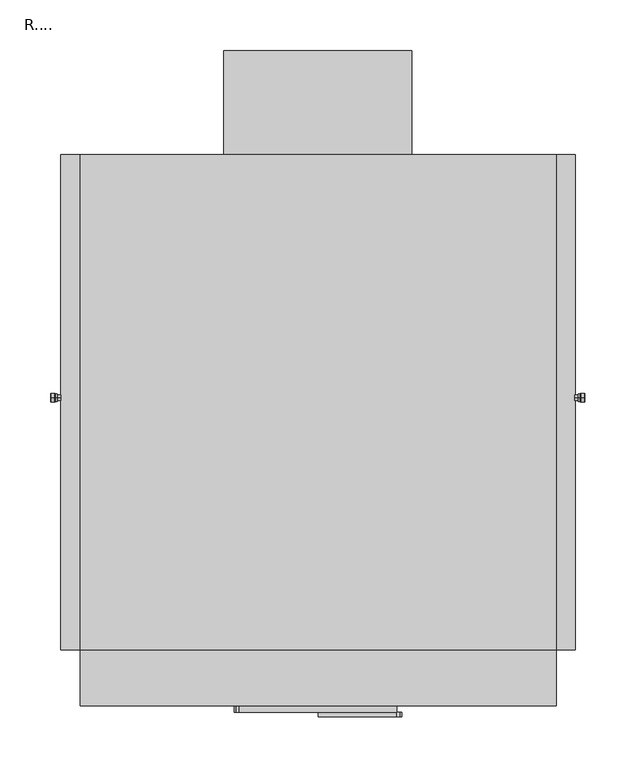
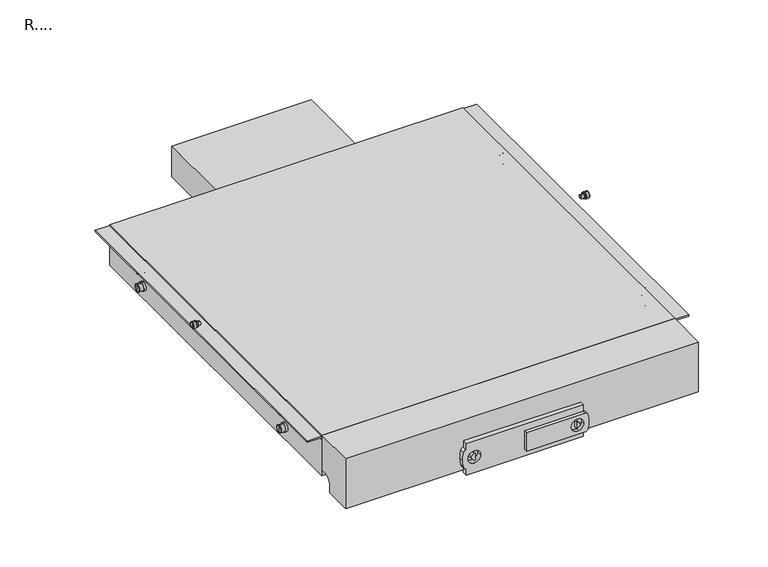
"""IFC4 building model written with IfcOpenShell, lengths in millimetres: proxy geometry, R....."""

from ifc_helpers import new_model, si_unit, point, frame, frame_2d, origin, place, context, project, spatial, polyline, circle_curve, ellipse_curve, trimmed, segment, composite_curve, outline, extrude, source, transform, mapped, element, save
from ifc_brep_helpers import plane_surface, cylinder_surface, revolved_surface, advanced_brep


def r_d6209bb6(model_context):
    return source(origin(), model_context, "Body", "SolidModel", [
        advanced_brep(
        [(252.8, 0.0, 598.1), (252.8, 0.0, 600.6), (252.8, 0.0, 595.6), (256.5, 0.0, 600.6), (256.5, 0.0, 595.6), (256.5, 0.0, 601.95), (256.5, 0.0, 594.25), (257.8, 0.0, 601.95), (257.8, 0.0, 594.25), (258.6833459, 0.0, 602.46), (258.6833459, 0.0, 593.74), (262.2444444, 0.0, 602.46), (262.2444444, 0.0, 593.74), (262.8, 0.0, 601.9044444), (262.8, 0.0, 594.2955556), (262.8, 0.0, 598.1)],
        [
            (0, 1),
            (1, 2, circle_curve(frame((252.8, 0.0, 598.1), z_axis=(-1.0, 0.0, 0.0), x_axis=(0.0, 0.0, 1.0)), 2.5)),
            (2, 0),
            (2, 1, circle_curve(frame((252.8, 0.0, 598.1), z_axis=(-1.0, 0.0, 0.0), x_axis=(0.0, 0.0, 1.0)), 2.5)),
            (1, 3),
            (3, 4, circle_curve(frame((256.5, 0.0, 598.1), z_axis=(-1.0, 0.0, 0.0), x_axis=(0.0, 0.0, 1.0)), 2.5)),
            (4, 2),
            (4, 3, circle_curve(frame((256.5, 0.0, 598.1), z_axis=(-1.0, 0.0, 0.0), x_axis=(0.0, 0.0, 1.0)), 2.5)),
            (3, 5),
            (5, 6, circle_curve(frame((256.5, 0.0, 598.1), z_axis=(-1.0, 0.0, 0.0), x_axis=(0.0, 0.0, 1.0)), 3.85)),
            (6, 4),
            (6, 5, circle_curve(frame((256.5, 0.0, 598.1), z_axis=(-1.0, 0.0, 0.0), x_axis=(0.0, 0.0, 1.0)), 3.85)),
            (5, 7),
            (7, 8, circle_curve(frame((257.8, 0.0, 598.1), z_axis=(-1.0, 0.0, 0.0), x_axis=(0.0, 0.0, 1.0)), 3.85)),
            (8, 6),
            (8, 7, circle_curve(frame((257.8, 0.0, 598.1), z_axis=(-1.0, 0.0, 0.0), x_axis=(0.0, 0.0, 1.0)), 3.85)),
            (7, 9),
            (9, 10, circle_curve(frame((258.6833459, 0.0, 598.1), z_axis=(-1.0, 0.0, 0.0), x_axis=(0.0, 0.0, 1.0)), 4.36)),
            (10, 8),
            (10, 9, circle_curve(frame((258.6833459, 0.0, 598.1), z_axis=(-1.0, 0.0, 0.0), x_axis=(0.0, 0.0, 1.0)), 4.36)),
            (9, 11),
            (11, 12, circle_curve(frame((262.2444444, 0.0, 598.1), z_axis=(-1.0, 0.0, 0.0), x_axis=(0.0, 0.0, 1.0)), 4.36)),
            (12, 10),
            (12, 11, circle_curve(frame((262.2444444, 0.0, 598.1), z_axis=(-1.0, 0.0, 0.0), x_axis=(0.0, 0.0, 1.0)), 4.36)),
            (11, 13, circle_curve(frame((262.2444444, 0.0, 601.9044444), z_axis=(0.0, 1.0, 0.0), x_axis=(1.0, 0.0, 0.0)), 0.5555556)),
            (13, 14, circle_curve(frame((262.8, 0.0, 598.1), z_axis=(-1.0, 0.0, 0.0), x_axis=(0.0, 0.0, 1.0)), 3.8044444)),
            (14, 12, circle_curve(frame((262.2444444, 0.0, 594.2955556), z_axis=(0.0, 1.0, 0.0), x_axis=(1.0, 0.0, 0.0)), 0.5555556)),
            (14, 13, circle_curve(frame((262.8, 0.0, 598.1), z_axis=(-1.0, 0.0, 0.0), x_axis=(0.0, 0.0, 1.0)), 3.8044444)),
            (13, 15),
            (15, 14),
        ],
        [
            plane_surface(frame((252.8, 0.0, 598.1), z_axis=(-1.0, 0.0, 0.0), x_axis=(0.0, 0.0, 1.0))),
            cylinder_surface(frame((264.3975487, 0.0, 598.1), z_axis=(-1.0, 0.0, 0.0), x_axis=(0.0, 0.0, 1.0)), 2.5),
            plane_surface(frame((256.5, 0.0, 598.1), z_axis=(-1.0, 0.0, 0.0), x_axis=(0.0, 0.0, 1.0))),
            cylinder_surface(frame((264.3975487, 0.0, 598.1), z_axis=(-1.0, 0.0, 0.0), x_axis=(0.0, 0.0, 1.0)), 3.85),
            revolved_surface(polyline([(258.6833459, 0.0, 602.46), (257.8, 0.0, 601.95)]), (264.3975487, 0.0, 598.1), (-1.0, 0.0, 0.0)),
            cylinder_surface(frame((264.3975487, 0.0, 598.1), z_axis=(-1.0, 0.0, 0.0), x_axis=(0.0, 0.0, 1.0)), 4.36),
            revolved_surface(trimmed(ellipse_curve(frame((262.2444444, 0.0, 601.9044444), z_axis=(0.0, -1.0, 0.0), x_axis=(1.0, 0.0, 0.0)), 0.5555556, 0.5555556), [point((262.8, 0.0, 601.9044444))], [point((262.2444444, 0.0, 602.46))], True, "CARTESIAN"), (264.3975487, 0.0, 598.1), (-1.0, 0.0, 0.0)),
            plane_surface(frame((262.8, 0.0, 598.1), z_axis=(1.0, 0.0, 0.0), x_axis=(0.0, 0.0, 1.0))),
        ],
        [
            (0, [[1, 2, 3]]),
            (0, [[-3, 4, -1]]),
            (1, [[-2, 5, 6, 7]]),
            (1, [[-4, -7, 8, -5]]),
            (2, [[-6, 9, 10, 11]]),
            (2, [[-8, -11, 12, -9]]),
            (3, [[-10, 13, 14, 15]]),
            (3, [[-12, -15, 16, -13]]),
            (4, [[-14, 17, 18, 19]]),
            (4, [[-16, -19, 20, -17]]),
            (5, [[-18, 21, 22, 23]]),
            (5, [[-20, -23, 24, -21]]),
            (6, [[-22, 25, 26, 27]]),
            (6, [[-24, -27, 28, -25]]),
            (7, [[-26, 29, 30]]),
            (7, [[-28, -30, -29]]),
        ],
    ),
        advanced_brep(
        [(-252.8, 0.0, 595.6), (-252.8, 0.0, 600.6), (-252.8, 0.0, 598.1), (-256.5, 0.0, 595.6), (-256.5, 0.0, 600.6), (-256.5, 0.0, 594.25), (-256.5, 0.0, 601.95), (-257.8, 0.0, 594.25), (-257.8, 0.0, 601.95), (-258.6833459, 0.0, 593.74), (-258.6833459, 0.0, 602.46), (-262.2444444, 0.0, 593.74), (-262.2444444, 0.0, 602.46), (-262.8, 0.0, 594.2955556), (-262.8, 0.0, 601.9044444), (-262.8, 0.0, 598.1)],
        [
            (0, 1, circle_curve(frame((-252.8, 0.0, 598.1), z_axis=(1.0, 0.0, 0.0), x_axis=(0.0, 0.0, 1.0)), 2.5)),
            (1, 2),
            (2, 0),
            (1, 0, circle_curve(frame((-252.8, 0.0, 598.1), z_axis=(1.0, 0.0, 0.0), x_axis=(0.0, 0.0, 1.0)), 2.5)),
            (3, 4, circle_curve(frame((-256.5, 0.0, 598.1), z_axis=(1.0, 0.0, 0.0), x_axis=(0.0, 0.0, 1.0)), 2.5)),
            (4, 1),
            (0, 3),
            (4, 3, circle_curve(frame((-256.5, 0.0, 598.1), z_axis=(1.0, 0.0, 0.0), x_axis=(0.0, 0.0, 1.0)), 2.5)),
            (5, 6, circle_curve(frame((-256.5, 0.0, 598.1), z_axis=(1.0, 0.0, 0.0), x_axis=(0.0, 0.0, 1.0)), 3.85)),
            (6, 4),
            (3, 5),
            (6, 5, circle_curve(frame((-256.5, 0.0, 598.1), z_axis=(1.0, 0.0, 0.0), x_axis=(0.0, 0.0, 1.0)), 3.85)),
            (7, 8, circle_curve(frame((-257.8, 0.0, 598.1), z_axis=(1.0, 0.0, 0.0), x_axis=(0.0, 0.0, 1.0)), 3.85)),
            (8, 6),
            (5, 7),
            (8, 7, circle_curve(frame((-257.8, 0.0, 598.1), z_axis=(1.0, 0.0, 0.0), x_axis=(0.0, 0.0, 1.0)), 3.85)),
            (9, 10, circle_curve(frame((-258.6833459, 0.0, 598.1), z_axis=(1.0, 0.0, 0.0), x_axis=(0.0, 0.0, 1.0)), 4.36)),
            (10, 8),
            (7, 9),
            (10, 9, circle_curve(frame((-258.6833459, 0.0, 598.1), z_axis=(1.0, 0.0, 0.0), x_axis=(0.0, 0.0, 1.0)), 4.36)),
            (11, 12, circle_curve(frame((-262.2444444, 0.0, 598.1), z_axis=(1.0, 0.0, 0.0), x_axis=(0.0, 0.0, 1.0)), 4.36)),
            (12, 10),
            (9, 11),
            (12, 11, circle_curve(frame((-262.2444444, 0.0, 598.1), z_axis=(1.0, 0.0, 0.0), x_axis=(0.0, 0.0, 1.0)), 4.36)),
            (13, 14, circle_curve(frame((-262.8, 0.0, 598.1), z_axis=(1.0, 0.0, 0.0), x_axis=(0.0, 0.0, 1.0)), 3.8044444)),
            (14, 12, circle_curve(frame((-262.2444444, 0.0, 601.9044444), z_axis=(0.0, 1.0, 0.0), x_axis=(-1.0, 0.0, 0.0)), 0.5555556)),
            (11, 13, circle_curve(frame((-262.2444444, 0.0, 594.2955556), z_axis=(0.0, 1.0, 0.0), x_axis=(-1.0, 0.0, 0.0)), 0.5555556)),
            (14, 13, circle_curve(frame((-262.8, 0.0, 598.1), z_axis=(1.0, 0.0, 0.0), x_axis=(0.0, 0.0, 1.0)), 3.8044444)),
            (15, 14),
            (13, 15),
        ],
        [
            plane_surface(frame((-252.8, 0.0, 598.1), z_axis=(1.0, 0.0, 0.0), x_axis=(0.0, 0.0, 1.0))),
            cylinder_surface(frame((-264.3975487, 0.0, 598.1), z_axis=(-1.0, 0.0, 0.0), x_axis=(0.0, 0.0, 1.0)), 2.5),
            plane_surface(frame((-256.5, 0.0, 598.1), z_axis=(1.0, 0.0, 0.0), x_axis=(0.0, 0.0, 1.0))),
            cylinder_surface(frame((-264.3975487, 0.0, 598.1), z_axis=(-1.0, 0.0, 0.0), x_axis=(0.0, 0.0, 1.0)), 3.85),
            revolved_surface(polyline([(-257.8, 0.0, 601.95), (-258.6833459, 0.0, 602.46)]), (-264.3975487, 0.0, 598.1), (-1.0, 0.0, 0.0)),
            cylinder_surface(frame((-264.3975487, 0.0, 598.1), z_axis=(-1.0, 0.0, 0.0), x_axis=(0.0, 0.0, 1.0)), 4.36),
            revolved_surface(trimmed(ellipse_curve(frame((-262.2444444, 0.0, 601.9044444), z_axis=(0.0, -1.0, 0.0), x_axis=(-1.0, 0.0, 0.0)), 0.5555556, 0.5555556), [point((-262.2444444, 0.0, 602.46))], [point((-262.8, 0.0, 601.9044444))], True, "CARTESIAN"), (-264.3975487, 0.0, 598.1), (-1.0, 0.0, 0.0)),
            plane_surface(frame((-262.8, 0.0, 598.1), z_axis=(-1.0, 0.0, 0.0), x_axis=(0.0, 0.0, 1.0))),
        ],
        [
            (0, [[1, 2, 3]]),
            (0, [[4, -3, -2]]),
            (1, [[5, 6, -1, 7]]),
            (1, [[8, -7, -4, -6]]),
            (2, [[9, 10, -5, 11]]),
            (2, [[12, -11, -8, -10]]),
            (3, [[13, 14, -9, 15]]),
            (3, [[16, -15, -12, -14]]),
            (4, [[17, 18, -13, 19]]),
            (4, [[20, -19, -16, -18]]),
            (5, [[21, 22, -17, 23]]),
            (5, [[24, -23, -20, -22]]),
            (6, [[25, 26, -21, 27]]),
            (6, [[28, -27, -24, -26]]),
            (7, [[29, -25, 30]]),
            (7, [[-30, -28, -29]]),
        ],
    ),
        advanced_brep(
        [(234.0500555, -164.9166094, 539.7805331), (234.0500555, -164.9166094, 551.5805331), (236.9500555, -164.9166094, 551.5805331), (236.9500555, -164.9166094, 539.7805331), (234.0500555, -164.9166094, 545.6805331), (242.9500555, -164.9166094, 541.3471998), (242.9500555, -164.9166094, 550.0138665), (242.9500555, -164.9166094, 545.6805331), (242.2833888, -164.9166094, 540.6805331), (242.2833888, -164.9166094, 550.6805331), (236.9500555, -164.9166094, 540.6805331), (236.9500555, -164.9166094, 550.6805331)],
        [
            (0, 1, circle_curve(frame((234.0500555, -164.9166094, 545.6805331), z_axis=(1.0, 0.0, 0.0), x_axis=(0.0, 0.0, 1.0)), 5.9)),
            (1, 2),
            (2, 3, circle_curve(frame((236.9500555, -164.9166094, 545.6805331), z_axis=(-1.0, 0.0, 0.0), x_axis=(0.0, 0.0, 1.0)), 5.9)),
            (3, 0),
            (1, 0, circle_curve(frame((234.0500555, -164.9166094, 545.6805331), z_axis=(1.0, 0.0, 0.0), x_axis=(0.0, 0.0, 1.0)), 5.9)),
            (3, 2, circle_curve(frame((236.9500555, -164.9166094, 545.6805331), z_axis=(-1.0, 0.0, 0.0), x_axis=(0.0, 0.0, 1.0)), 5.9)),
            (4, 1),
            (0, 4),
            (5, 6, circle_curve(frame((242.9500555, -164.9166094, 545.6805331), z_axis=(1.0, 0.0, 0.0), x_axis=(0.0, 0.0, 1.0)), 4.3333333)),
            (6, 7),
            (7, 5),
            (6, 5, circle_curve(frame((242.9500555, -164.9166094, 545.6805331), z_axis=(1.0, 0.0, 0.0), x_axis=(0.0, 0.0, 1.0)), 4.3333333)),
            (8, 9, circle_curve(frame((242.2833888, -164.9166094, 545.6805331), z_axis=(1.0, 0.0, 0.0), x_axis=(0.0, 0.0, 1.0)), 5.0)),
            (9, 6, circle_curve(frame((242.2833888, -164.9166094, 550.0138665), z_axis=(0.0, 1.0, 0.0), x_axis=(1.0, 0.0, 0.0)), 0.6666667)),
            (5, 8, circle_curve(frame((242.2833888, -164.9166094, 541.3471998), z_axis=(0.0, 1.0, 0.0), x_axis=(1.0, 0.0, 0.0)), 0.6666667)),
            (9, 8, circle_curve(frame((242.2833888, -164.9166094, 545.6805331), z_axis=(1.0, 0.0, 0.0), x_axis=(0.0, 0.0, 1.0)), 5.0)),
            (10, 11, circle_curve(frame((236.9500555, -164.9166094, 545.6805331), z_axis=(1.0, 0.0, 0.0), x_axis=(0.0, 0.0, 1.0)), 5.0)),
            (11, 9),
            (8, 10),
            (11, 10, circle_curve(frame((236.9500555, -164.9166094, 545.6805331), z_axis=(1.0, 0.0, 0.0), x_axis=(0.0, 0.0, 1.0)), 5.0)),
            (2, 11),
            (10, 3),
        ],
        [
            cylinder_surface(frame((245.0268062, -164.9166094, 545.6805331), z_axis=(-1.0, 0.0, 0.0), x_axis=(0.0, 0.0, 1.0)), 5.9),
            plane_surface(frame((234.0500555, -164.9166094, 545.6805331), z_axis=(-1.0, 0.0, 0.0), x_axis=(0.0, 0.0, 1.0))),
            plane_surface(frame((242.9500555, -164.9166094, 545.6805331), z_axis=(1.0, 0.0, 0.0), x_axis=(0.0, 0.0, 1.0))),
            revolved_surface(trimmed(ellipse_curve(frame((242.2833888, -164.9166094, 550.0138665), z_axis=(0.0, -1.0, 0.0), x_axis=(1.0, 0.0, 0.0)), 0.6666667, 0.6666667), [point((242.9500555, -164.9166094, 550.0138665))], [point((242.2833888, -164.9166094, 550.6805331))], True, "CARTESIAN"), (245.0268062, -164.9166094, 545.6805331), (-1.0, 0.0, 0.0)),
            cylinder_surface(frame((245.0268062, -164.9166094, 545.6805331), z_axis=(-1.0, 0.0, 0.0), x_axis=(0.0, 0.0, 1.0)), 5.0),
            plane_surface(frame((236.9500555, -164.9166094, 545.6805331), z_axis=(1.0, 0.0, 0.0), x_axis=(0.0, 0.0, 1.0))),
        ],
        [
            (0, [[1, 2, 3, 4]]),
            (0, [[5, -4, 6, -2]]),
            (1, [[7, -1, 8]]),
            (1, [[-8, -5, -7]]),
            (2, [[9, 10, 11]]),
            (2, [[12, -11, -10]]),
            (3, [[13, 14, -9, 15]]),
            (3, [[16, -15, -12, -14]]),
            (4, [[17, 18, -13, 19]]),
            (4, [[20, -19, -16, -18]]),
            (5, [[-3, 21, -17, 22]]),
            (5, [[-6, -22, -20, -21]]),
        ],
    ),
        advanced_brep(
        [(234.0500555, -164.9166094, 564.780533), (234.0500555, -164.9166094, 576.580533), (236.9500555, -164.9166094, 576.580533), (236.9500555, -164.9166094, 564.780533), (234.0500555, -164.9166094, 570.680533), (242.9500555, -164.9166094, 566.3471997), (242.9500555, -164.9166094, 575.0138663), (242.9500555, -164.9166094, 570.680533), (242.2833888, -164.9166094, 565.680533), (242.2833888, -164.9166094, 575.680533), (236.9500555, -164.9166094, 565.680533), (236.9500555, -164.9166094, 575.680533)],
        [
            (0, 1, circle_curve(frame((234.0500555, -164.9166094, 570.680533), z_axis=(1.0, 0.0, 0.0), x_axis=(0.0, 0.0, 1.0)), 5.9)),
            (1, 2),
            (2, 3, circle_curve(frame((236.9500555, -164.9166094, 570.680533), z_axis=(-1.0, 0.0, 0.0), x_axis=(0.0, 0.0, 1.0)), 5.9)),
            (3, 0),
            (1, 0, circle_curve(frame((234.0500555, -164.9166094, 570.680533), z_axis=(1.0, 0.0, 0.0), x_axis=(0.0, 0.0, 1.0)), 5.9)),
            (3, 2, circle_curve(frame((236.9500555, -164.9166094, 570.680533), z_axis=(-1.0, 0.0, 0.0), x_axis=(0.0, 0.0, 1.0)), 5.9)),
            (4, 1),
            (0, 4),
            (5, 6, circle_curve(frame((242.9500555, -164.9166094, 570.680533), z_axis=(1.0, 0.0, 0.0), x_axis=(0.0, 0.0, 1.0)), 4.3333333)),
            (6, 7),
            (7, 5),
            (6, 5, circle_curve(frame((242.9500555, -164.9166094, 570.680533), z_axis=(1.0, 0.0, 0.0), x_axis=(0.0, 0.0, 1.0)), 4.3333333)),
            (8, 9, circle_curve(frame((242.2833888, -164.9166094, 570.680533), z_axis=(1.0, 0.0, 0.0), x_axis=(0.0, 0.0, 1.0)), 5.0)),
            (9, 6, circle_curve(frame((242.2833888, -164.9166094, 575.0138663), z_axis=(0.0, 1.0, 0.0), x_axis=(1.0, 0.0, 0.0)), 0.6666667)),
            (5, 8, circle_curve(frame((242.2833888, -164.9166094, 566.3471997), z_axis=(0.0, 1.0, 0.0), x_axis=(1.0, 0.0, 0.0)), 0.6666667)),
            (9, 8, circle_curve(frame((242.2833888, -164.9166094, 570.680533), z_axis=(1.0, 0.0, 0.0), x_axis=(0.0, 0.0, 1.0)), 5.0)),
            (10, 11, circle_curve(frame((236.9500555, -164.9166094, 570.680533), z_axis=(1.0, 0.0, 0.0), x_axis=(0.0, 0.0, 1.0)), 5.0)),
            (11, 9),
            (8, 10),
            (11, 10, circle_curve(frame((236.9500555, -164.9166094, 570.680533), z_axis=(1.0, 0.0, 0.0), x_axis=(0.0, 0.0, 1.0)), 5.0)),
            (2, 11),
            (10, 3),
        ],
        [
            cylinder_surface(frame((245.0268062, -164.9166094, 570.680533), z_axis=(-1.0, 0.0, 0.0), x_axis=(0.0, 0.0, 1.0)), 5.9),
            plane_surface(frame((234.0500555, -164.9166094, 570.680533), z_axis=(-1.0, 0.0, 0.0), x_axis=(0.0, 0.0, 1.0))),
            plane_surface(frame((242.9500555, -164.9166094, 570.680533), z_axis=(1.0, 0.0, 0.0), x_axis=(0.0, 0.0, 1.0))),
            revolved_surface(trimmed(ellipse_curve(frame((242.2833888, -164.9166094, 575.0138663), z_axis=(0.0, -1.0, 0.0), x_axis=(1.0, 0.0, 0.0)), 0.6666667, 0.6666667), [point((242.9500555, -164.9166094, 575.0138663))], [point((242.2833888, -164.9166094, 575.680533))], True, "CARTESIAN"), (245.0268062, -164.9166094, 570.680533), (-1.0, 0.0, 0.0)),
            cylinder_surface(frame((245.0268062, -164.9166094, 570.680533), z_axis=(-1.0, 0.0, 0.0), x_axis=(0.0, 0.0, 1.0)), 5.0),
            plane_surface(frame((236.9500555, -164.9166094, 570.680533), z_axis=(1.0, 0.0, 0.0), x_axis=(0.0, 0.0, 1.0))),
        ],
        [
            (0, [[1, 2, 3, 4]]),
            (0, [[5, -4, 6, -2]]),
            (1, [[7, -1, 8]]),
            (1, [[-8, -5, -7]]),
            (2, [[9, 10, 11]]),
            (2, [[12, -11, -10]]),
            (3, [[13, 14, -9, 15]]),
            (3, [[16, -15, -12, -14]]),
            (4, [[17, 18, -13, 19]]),
            (4, [[20, -19, -16, -18]]),
            (5, [[-3, 21, -17, 22]]),
            (5, [[-6, -22, -20, -21]]),
        ],
    ),
        advanced_brep(
        [(234.0500555, 161.1139313, 539.7805331), (234.0500555, 161.1139313, 551.5805331), (236.9500555, 161.1139313, 551.5805331), (236.9500555, 161.1139313, 539.7805331), (234.0500555, 161.1139313, 545.6805331), (242.9500555, 161.1139313, 541.3471998), (242.9500555, 161.1139313, 550.0138665), (242.9500555, 161.1139313, 545.6805331), (242.2833888, 161.1139313, 540.6805331), (242.2833888, 161.1139313, 550.6805331), (236.9500555, 161.1139313, 540.6805331), (236.9500555, 161.1139313, 550.6805331)],
        [
            (0, 1, circle_curve(frame((234.0500555, 161.1139313, 545.6805331), z_axis=(1.0, 0.0, 0.0), x_axis=(0.0, 0.0, 1.0)), 5.9)),
            (1, 2),
            (2, 3, circle_curve(frame((236.9500555, 161.1139313, 545.6805331), z_axis=(-1.0, 0.0, 0.0), x_axis=(0.0, 0.0, 1.0)), 5.9)),
            (3, 0),
            (1, 0, circle_curve(frame((234.0500555, 161.1139313, 545.6805331), z_axis=(1.0, 0.0, 0.0), x_axis=(0.0, 0.0, 1.0)), 5.9)),
            (3, 2, circle_curve(frame((236.9500555, 161.1139313, 545.6805331), z_axis=(-1.0, 0.0, 0.0), x_axis=(0.0, 0.0, 1.0)), 5.9)),
            (4, 1),
            (0, 4),
            (5, 6, circle_curve(frame((242.9500555, 161.1139313, 545.6805331), z_axis=(1.0, 0.0, 0.0), x_axis=(0.0, 0.0, 1.0)), 4.3333333)),
            (6, 7),
            (7, 5),
            (6, 5, circle_curve(frame((242.9500555, 161.1139313, 545.6805331), z_axis=(1.0, 0.0, 0.0), x_axis=(0.0, 0.0, 1.0)), 4.3333333)),
            (8, 9, circle_curve(frame((242.2833888, 161.1139313, 545.6805331), z_axis=(1.0, 0.0, 0.0), x_axis=(0.0, 0.0, 1.0)), 5.0)),
            (9, 6, circle_curve(frame((242.2833888, 161.1139313, 550.0138665), z_axis=(0.0, 1.0, 0.0), x_axis=(1.0, 0.0, 0.0)), 0.6666667)),
            (5, 8, circle_curve(frame((242.2833888, 161.1139313, 541.3471998), z_axis=(0.0, 1.0, 0.0), x_axis=(1.0, 0.0, 0.0)), 0.6666667)),
            (9, 8, circle_curve(frame((242.2833888, 161.1139313, 545.6805331), z_axis=(1.0, 0.0, 0.0), x_axis=(0.0, 0.0, 1.0)), 5.0)),
            (10, 11, circle_curve(frame((236.9500555, 161.1139313, 545.6805331), z_axis=(1.0, 0.0, 0.0), x_axis=(0.0, 0.0, 1.0)), 5.0)),
            (11, 9),
            (8, 10),
            (11, 10, circle_curve(frame((236.9500555, 161.1139313, 545.6805331), z_axis=(1.0, 0.0, 0.0), x_axis=(0.0, 0.0, 1.0)), 5.0)),
            (2, 11),
            (10, 3),
        ],
        [
            cylinder_surface(frame((245.0268062, 161.1139313, 545.6805331), z_axis=(-1.0, 0.0, 0.0), x_axis=(0.0, 0.0, 1.0)), 5.9),
            plane_surface(frame((234.0500555, 161.1139313, 545.6805331), z_axis=(-1.0, 0.0, 0.0), x_axis=(0.0, 0.0, 1.0))),
            plane_surface(frame((242.9500555, 161.1139313, 545.6805331), z_axis=(1.0, 0.0, 0.0), x_axis=(0.0, 0.0, 1.0))),
            revolved_surface(trimmed(ellipse_curve(frame((242.2833888, 161.1139313, 550.0138665), z_axis=(0.0, -1.0, 0.0), x_axis=(1.0, 0.0, 0.0)), 0.6666667, 0.6666667), [point((242.9500555, 161.1139313, 550.0138665))], [point((242.2833888, 161.1139313, 550.6805331))], True, "CARTESIAN"), (245.0268062, 161.1139313, 545.6805331), (-1.0, 0.0, 0.0)),
            cylinder_surface(frame((245.0268062, 161.1139313, 545.6805331), z_axis=(-1.0, 0.0, 0.0), x_axis=(0.0, 0.0, 1.0)), 5.0),
            plane_surface(frame((236.9500555, 161.1139313, 545.6805331), z_axis=(1.0, 0.0, 0.0), x_axis=(0.0, 0.0, 1.0))),
        ],
        [
            (0, [[1, 2, 3, 4]]),
            (0, [[5, -4, 6, -2]]),
            (1, [[7, -1, 8]]),
            (1, [[-8, -5, -7]]),
            (2, [[9, 10, 11]]),
            (2, [[12, -11, -10]]),
            (3, [[13, 14, -9, 15]]),
            (3, [[16, -15, -12, -14]]),
            (4, [[17, 18, -13, 19]]),
            (4, [[20, -19, -16, -18]]),
            (5, [[-3, 21, -17, 22]]),
            (5, [[-6, -22, -20, -21]]),
        ],
    ),
        advanced_brep(
        [(234.0500555, 161.1139313, 564.780533), (234.0500555, 161.1139313, 576.580533), (236.9500555, 161.1139313, 576.580533), (236.9500555, 161.1139313, 564.780533), (234.0500555, 161.1139313, 570.680533), (242.9500555, 161.1139313, 566.3471997), (242.9500555, 161.1139313, 575.0138663), (242.9500555, 161.1139313, 570.680533), (242.2833888, 161.1139313, 565.680533), (242.2833888, 161.1139313, 575.680533), (236.9500555, 161.1139313, 565.680533), (236.9500555, 161.1139313, 575.680533)],
        [
            (0, 1, circle_curve(frame((234.0500555, 161.1139313, 570.680533), z_axis=(1.0, 0.0, 0.0), x_axis=(0.0, 0.0, 1.0)), 5.9)),
            (1, 2),
            (2, 3, circle_curve(frame((236.9500555, 161.1139313, 570.680533), z_axis=(-1.0, 0.0, 0.0), x_axis=(0.0, 0.0, 1.0)), 5.9)),
            (3, 0),
            (1, 0, circle_curve(frame((234.0500555, 161.1139313, 570.680533), z_axis=(1.0, 0.0, 0.0), x_axis=(0.0, 0.0, 1.0)), 5.9)),
            (3, 2, circle_curve(frame((236.9500555, 161.1139313, 570.680533), z_axis=(-1.0, 0.0, 0.0), x_axis=(0.0, 0.0, 1.0)), 5.9)),
            (4, 1),
            (0, 4),
            (5, 6, circle_curve(frame((242.9500555, 161.1139313, 570.680533), z_axis=(1.0, 0.0, 0.0), x_axis=(0.0, 0.0, 1.0)), 4.3333333)),
            (6, 7),
            (7, 5),
            (6, 5, circle_curve(frame((242.9500555, 161.1139313, 570.680533), z_axis=(1.0, 0.0, 0.0), x_axis=(0.0, 0.0, 1.0)), 4.3333333)),
            (8, 9, circle_curve(frame((242.2833888, 161.1139313, 570.680533), z_axis=(1.0, 0.0, 0.0), x_axis=(0.0, 0.0, 1.0)), 5.0)),
            (9, 6, circle_curve(frame((242.2833888, 161.1139313, 575.0138663), z_axis=(0.0, 1.0, 0.0), x_axis=(1.0, 0.0, 0.0)), 0.6666667)),
            (5, 8, circle_curve(frame((242.2833888, 161.1139313, 566.3471997), z_axis=(0.0, 1.0, 0.0), x_axis=(1.0, 0.0, 0.0)), 0.6666667)),
            (9, 8, circle_curve(frame((242.2833888, 161.1139313, 570.680533), z_axis=(1.0, 0.0, 0.0), x_axis=(0.0, 0.0, 1.0)), 5.0)),
            (10, 11, circle_curve(frame((236.9500555, 161.1139313, 570.680533), z_axis=(1.0, 0.0, 0.0), x_axis=(0.0, 0.0, 1.0)), 5.0)),
            (11, 9),
            (8, 10),
            (11, 10, circle_curve(frame((236.9500555, 161.1139313, 570.680533), z_axis=(1.0, 0.0, 0.0), x_axis=(0.0, 0.0, 1.0)), 5.0)),
            (2, 11),
            (10, 3),
        ],
        [
            cylinder_surface(frame((245.0268062, 161.1139313, 570.680533), z_axis=(-1.0, 0.0, 0.0), x_axis=(0.0, 0.0, 1.0)), 5.9),
            plane_surface(frame((234.0500555, 161.1139313, 570.680533), z_axis=(-1.0, 0.0, 0.0), x_axis=(0.0, 0.0, 1.0))),
            plane_surface(frame((242.9500555, 161.1139313, 570.680533), z_axis=(1.0, 0.0, 0.0), x_axis=(0.0, 0.0, 1.0))),
            revolved_surface(trimmed(ellipse_curve(frame((242.2833888, 161.1139313, 575.0138663), z_axis=(0.0, -1.0, 0.0), x_axis=(1.0, 0.0, 0.0)), 0.6666667, 0.6666667), [point((242.9500555, 161.1139313, 575.0138663))], [point((242.2833888, 161.1139313, 575.680533))], True, "CARTESIAN"), (245.0268062, 161.1139313, 570.680533), (-1.0, 0.0, 0.0)),
            cylinder_surface(frame((245.0268062, 161.1139313, 570.680533), z_axis=(-1.0, 0.0, 0.0), x_axis=(0.0, 0.0, 1.0)), 5.0),
            plane_surface(frame((236.9500555, 161.1139313, 570.680533), z_axis=(1.0, 0.0, 0.0), x_axis=(0.0, 0.0, 1.0))),
        ],
        [
            (0, [[1, 2, 3, 4]]),
            (0, [[5, -4, 6, -2]]),
            (1, [[7, -1, 8]]),
            (1, [[-8, -5, -7]]),
            (2, [[9, 10, 11]]),
            (2, [[12, -11, -10]]),
            (3, [[13, 14, -9, 15]]),
            (3, [[16, -15, -12, -14]]),
            (4, [[17, 18, -13, 19]]),
            (4, [[20, -19, -16, -18]]),
            (5, [[-3, 21, -17, 22]]),
            (5, [[-6, -22, -20, -21]]),
        ],
    ),
        advanced_brep(
        [(-236.9500555, -164.9166094, 539.7805331), (-236.9500555, -164.9166094, 551.5805331), (-234.0500555, -164.9166094, 551.5805331), (-234.0500555, -164.9166094, 539.7805331), (-234.0500555, -164.9166094, 545.6805331), (-242.9500555, -164.9166094, 545.6805331), (-242.9500555, -164.9166094, 550.0138665), (-242.9500555, -164.9166094, 541.3471998), (-242.2833888, -164.9166094, 550.6805331), (-242.2833888, -164.9166094, 540.6805331), (-236.9500555, -164.9166094, 550.6805331), (-236.9500555, -164.9166094, 540.6805331)],
        [
            (0, 1, circle_curve(frame((-236.9500555, -164.9166094, 545.6805331), z_axis=(1.0, 0.0, 0.0), x_axis=(0.0, 0.0, 1.0)), 5.9)),
            (1, 2),
            (2, 3, circle_curve(frame((-234.0500555, -164.9166094, 545.6805331), z_axis=(-1.0, 0.0, 0.0), x_axis=(0.0, 0.0, 1.0)), 5.9)),
            (3, 0),
            (1, 0, circle_curve(frame((-236.9500555, -164.9166094, 545.6805331), z_axis=(1.0, 0.0, 0.0), x_axis=(0.0, 0.0, 1.0)), 5.9)),
            (3, 2, circle_curve(frame((-234.0500555, -164.9166094, 545.6805331), z_axis=(-1.0, 0.0, 0.0), x_axis=(0.0, 0.0, 1.0)), 5.9)),
            (2, 4),
            (4, 3),
            (5, 6),
            (6, 7, circle_curve(frame((-242.9500555, -164.9166094, 545.6805331), z_axis=(-1.0, 0.0, 0.0), x_axis=(0.0, 0.0, 1.0)), 4.3333333)),
            (7, 5),
            (7, 6, circle_curve(frame((-242.9500555, -164.9166094, 545.6805331), z_axis=(-1.0, 0.0, 0.0), x_axis=(0.0, 0.0, 1.0)), 4.3333333)),
            (6, 8, circle_curve(frame((-242.2833888, -164.9166094, 550.0138665), z_axis=(0.0, 1.0, 0.0), x_axis=(-1.0, 0.0, 0.0)), 0.6666667)),
            (8, 9, circle_curve(frame((-242.2833888, -164.9166094, 545.6805331), z_axis=(-1.0, 0.0, 0.0), x_axis=(0.0, 0.0, 1.0)), 5.0)),
            (9, 7, circle_curve(frame((-242.2833888, -164.9166094, 541.3471998), z_axis=(0.0, 1.0, 0.0), x_axis=(-1.0, 0.0, 0.0)), 0.6666667)),
            (9, 8, circle_curve(frame((-242.2833888, -164.9166094, 545.6805331), z_axis=(-1.0, 0.0, 0.0), x_axis=(0.0, 0.0, 1.0)), 5.0)),
            (8, 10),
            (10, 11, circle_curve(frame((-236.9500555, -164.9166094, 545.6805331), z_axis=(-1.0, 0.0, 0.0), x_axis=(0.0, 0.0, 1.0)), 5.0)),
            (11, 9),
            (11, 10, circle_curve(frame((-236.9500555, -164.9166094, 545.6805331), z_axis=(-1.0, 0.0, 0.0), x_axis=(0.0, 0.0, 1.0)), 5.0)),
            (10, 1),
            (0, 11),
        ],
        [
            cylinder_surface(frame((-245.0268062, -164.9166094, 545.6805331), z_axis=(-1.0, 0.0, 0.0), x_axis=(0.0, 0.0, 1.0)), 5.9),
            plane_surface(frame((-234.0500555, -164.9166094, 545.6805331), z_axis=(1.0, 0.0, 0.0), x_axis=(0.0, 0.0, 1.0))),
            plane_surface(frame((-242.9500555, -164.9166094, 545.6805331), z_axis=(-1.0, 0.0, 0.0), x_axis=(0.0, 0.0, 1.0))),
            revolved_surface(trimmed(ellipse_curve(frame((-242.2833888, -164.9166094, 550.0138665), z_axis=(0.0, -1.0, 0.0), x_axis=(-1.0, 0.0, 0.0)), 0.6666667, 0.6666667), [point((-242.2833888, -164.9166094, 550.6805331))], [point((-242.9500555, -164.9166094, 550.0138665))], True, "CARTESIAN"), (-245.0268062, -164.9166094, 545.6805331), (-1.0, 0.0, 0.0)),
            cylinder_surface(frame((-245.0268062, -164.9166094, 545.6805331), z_axis=(-1.0, 0.0, 0.0), x_axis=(0.0, 0.0, 1.0)), 5.0),
            plane_surface(frame((-236.9500555, -164.9166094, 545.6805331), z_axis=(-1.0, 0.0, 0.0), x_axis=(0.0, 0.0, 1.0))),
        ],
        [
            (0, [[1, 2, 3, 4]]),
            (0, [[5, -4, 6, -2]]),
            (1, [[-3, 7, 8]]),
            (1, [[-6, -8, -7]]),
            (2, [[9, 10, 11]]),
            (2, [[-11, 12, -9]]),
            (3, [[-10, 13, 14, 15]]),
            (3, [[-12, -15, 16, -13]]),
            (4, [[-14, 17, 18, 19]]),
            (4, [[-16, -19, 20, -17]]),
            (5, [[-18, 21, -1, 22]]),
            (5, [[-20, -22, -5, -21]]),
        ],
    ),
        advanced_brep(
        [(-236.9500555, -164.9166094, 564.780533), (-236.9500555, -164.9166094, 576.580533), (-234.0500555, -164.9166094, 576.580533), (-234.0500555, -164.9166094, 564.780533), (-234.0500555, -164.9166094, 570.680533), (-242.9500555, -164.9166094, 570.680533), (-242.9500555, -164.9166094, 575.0138663), (-242.9500555, -164.9166094, 566.3471997), (-242.2833888, -164.9166094, 575.680533), (-242.2833888, -164.9166094, 565.680533), (-236.9500555, -164.9166094, 575.680533), (-236.9500555, -164.9166094, 565.680533)],
        [
            (0, 1, circle_curve(frame((-236.9500555, -164.9166094, 570.680533), z_axis=(1.0, 0.0, 0.0), x_axis=(0.0, 0.0, 1.0)), 5.9)),
            (1, 2),
            (2, 3, circle_curve(frame((-234.0500555, -164.9166094, 570.680533), z_axis=(-1.0, 0.0, 0.0), x_axis=(0.0, 0.0, 1.0)), 5.9)),
            (3, 0),
            (1, 0, circle_curve(frame((-236.9500555, -164.9166094, 570.680533), z_axis=(1.0, 0.0, 0.0), x_axis=(0.0, 0.0, 1.0)), 5.9)),
            (3, 2, circle_curve(frame((-234.0500555, -164.9166094, 570.680533), z_axis=(-1.0, 0.0, 0.0), x_axis=(0.0, 0.0, 1.0)), 5.9)),
            (2, 4),
            (4, 3),
            (5, 6),
            (6, 7, circle_curve(frame((-242.9500555, -164.9166094, 570.680533), z_axis=(-1.0, 0.0, 0.0), x_axis=(0.0, 0.0, 1.0)), 4.3333333)),
            (7, 5),
            (7, 6, circle_curve(frame((-242.9500555, -164.9166094, 570.680533), z_axis=(-1.0, 0.0, 0.0), x_axis=(0.0, 0.0, 1.0)), 4.3333333)),
            (6, 8, circle_curve(frame((-242.2833888, -164.9166094, 575.0138663), z_axis=(0.0, 1.0, 0.0), x_axis=(-1.0, 0.0, 0.0)), 0.6666667)),
            (8, 9, circle_curve(frame((-242.2833888, -164.9166094, 570.680533), z_axis=(-1.0, 0.0, 0.0), x_axis=(0.0, 0.0, 1.0)), 5.0)),
            (9, 7, circle_curve(frame((-242.2833888, -164.9166094, 566.3471997), z_axis=(0.0, 1.0, 0.0), x_axis=(-1.0, 0.0, 0.0)), 0.6666667)),
            (9, 8, circle_curve(frame((-242.2833888, -164.9166094, 570.680533), z_axis=(-1.0, 0.0, 0.0), x_axis=(0.0, 0.0, 1.0)), 5.0)),
            (8, 10),
            (10, 11, circle_curve(frame((-236.9500555, -164.9166094, 570.680533), z_axis=(-1.0, 0.0, 0.0), x_axis=(0.0, 0.0, 1.0)), 5.0)),
            (11, 9),
            (11, 10, circle_curve(frame((-236.9500555, -164.9166094, 570.680533), z_axis=(-1.0, 0.0, 0.0), x_axis=(0.0, 0.0, 1.0)), 5.0)),
            (10, 1),
            (0, 11),
        ],
        [
            cylinder_surface(frame((-245.0268062, -164.9166094, 570.680533), z_axis=(-1.0, 0.0, 0.0), x_axis=(0.0, 0.0, 1.0)), 5.9),
            plane_surface(frame((-234.0500555, -164.9166094, 570.680533), z_axis=(1.0, 0.0, 0.0), x_axis=(0.0, 0.0, 1.0))),
            plane_surface(frame((-242.9500555, -164.9166094, 570.680533), z_axis=(-1.0, 0.0, 0.0), x_axis=(0.0, 0.0, 1.0))),
            revolved_surface(trimmed(ellipse_curve(frame((-242.2833888, -164.9166094, 575.0138663), z_axis=(0.0, -1.0, 0.0), x_axis=(-1.0, 0.0, 0.0)), 0.6666667, 0.6666667), [point((-242.2833888, -164.9166094, 575.680533))], [point((-242.9500555, -164.9166094, 575.0138663))], True, "CARTESIAN"), (-245.0268062, -164.9166094, 570.680533), (-1.0, 0.0, 0.0)),
            cylinder_surface(frame((-245.0268062, -164.9166094, 570.680533), z_axis=(-1.0, 0.0, 0.0), x_axis=(0.0, 0.0, 1.0)), 5.0),
            plane_surface(frame((-236.9500555, -164.9166094, 570.680533), z_axis=(-1.0, 0.0, 0.0), x_axis=(0.0, 0.0, 1.0))),
        ],
        [
            (0, [[1, 2, 3, 4]]),
            (0, [[5, -4, 6, -2]]),
            (1, [[-3, 7, 8]]),
            (1, [[-6, -8, -7]]),
            (2, [[9, 10, 11]]),
            (2, [[-11, 12, -9]]),
            (3, [[-10, 13, 14, 15]]),
            (3, [[-12, -15, 16, -13]]),
            (4, [[-14, 17, 18, 19]]),
            (4, [[-16, -19, 20, -17]]),
            (5, [[-18, 21, -1, 22]]),
            (5, [[-20, -22, -5, -21]]),
        ],
    ),
        advanced_brep(
        [(-236.9500555, 161.1139313, 539.7805331), (-236.9500555, 161.1139313, 551.5805331), (-234.0500555, 161.1139313, 551.5805331), (-234.0500555, 161.1139313, 539.7805331), (-234.0500555, 161.1139313, 545.6805331), (-242.9500555, 161.1139313, 545.6805331), (-242.9500555, 161.1139313, 550.0138665), (-242.9500555, 161.1139313, 541.3471998), (-242.2833888, 161.1139313, 550.6805331), (-242.2833888, 161.1139313, 540.6805331), (-236.9500555, 161.1139313, 550.6805331), (-236.9500555, 161.1139313, 540.6805331)],
        [
            (0, 1, circle_curve(frame((-236.9500555, 161.1139313, 545.6805331), z_axis=(1.0, 0.0, 0.0), x_axis=(0.0, 0.0, 1.0)), 5.9)),
            (1, 2),
            (2, 3, circle_curve(frame((-234.0500555, 161.1139313, 545.6805331), z_axis=(-1.0, 0.0, 0.0), x_axis=(0.0, 0.0, 1.0)), 5.9)),
            (3, 0),
            (1, 0, circle_curve(frame((-236.9500555, 161.1139313, 545.6805331), z_axis=(1.0, 0.0, 0.0), x_axis=(0.0, 0.0, 1.0)), 5.9)),
            (3, 2, circle_curve(frame((-234.0500555, 161.1139313, 545.6805331), z_axis=(-1.0, 0.0, 0.0), x_axis=(0.0, 0.0, 1.0)), 5.9)),
            (2, 4),
            (4, 3),
            (5, 6),
            (6, 7, circle_curve(frame((-242.9500555, 161.1139313, 545.6805331), z_axis=(-1.0, 0.0, 0.0), x_axis=(0.0, 0.0, 1.0)), 4.3333333)),
            (7, 5),
            (7, 6, circle_curve(frame((-242.9500555, 161.1139313, 545.6805331), z_axis=(-1.0, 0.0, 0.0), x_axis=(0.0, 0.0, 1.0)), 4.3333333)),
            (6, 8, circle_curve(frame((-242.2833888, 161.1139313, 550.0138665), z_axis=(0.0, 1.0, 0.0), x_axis=(-1.0, 0.0, 0.0)), 0.6666667)),
            (8, 9, circle_curve(frame((-242.2833888, 161.1139313, 545.6805331), z_axis=(-1.0, 0.0, 0.0), x_axis=(0.0, 0.0, 1.0)), 5.0)),
            (9, 7, circle_curve(frame((-242.2833888, 161.1139313, 541.3471998), z_axis=(0.0, 1.0, 0.0), x_axis=(-1.0, 0.0, 0.0)), 0.6666667)),
            (9, 8, circle_curve(frame((-242.2833888, 161.1139313, 545.6805331), z_axis=(-1.0, 0.0, 0.0), x_axis=(0.0, 0.0, 1.0)), 5.0)),
            (8, 10),
            (10, 11, circle_curve(frame((-236.9500555, 161.1139313, 545.6805331), z_axis=(-1.0, 0.0, 0.0), x_axis=(0.0, 0.0, 1.0)), 5.0)),
            (11, 9),
            (11, 10, circle_curve(frame((-236.9500555, 161.1139313, 545.6805331), z_axis=(-1.0, 0.0, 0.0), x_axis=(0.0, 0.0, 1.0)), 5.0)),
            (10, 1),
            (0, 11),
        ],
        [
            cylinder_surface(frame((-245.0268062, 161.1139313, 545.6805331), z_axis=(-1.0, 0.0, 0.0), x_axis=(0.0, 0.0, 1.0)), 5.9),
            plane_surface(frame((-234.0500555, 161.1139313, 545.6805331), z_axis=(1.0, 0.0, 0.0), x_axis=(0.0, 0.0, 1.0))),
            plane_surface(frame((-242.9500555, 161.1139313, 545.6805331), z_axis=(-1.0, 0.0, 0.0), x_axis=(0.0, 0.0, 1.0))),
            revolved_surface(trimmed(ellipse_curve(frame((-242.2833888, 161.1139313, 550.0138665), z_axis=(0.0, -1.0, 0.0), x_axis=(-1.0, 0.0, 0.0)), 0.6666667, 0.6666667), [point((-242.2833888, 161.1139313, 550.6805331))], [point((-242.9500555, 161.1139313, 550.0138665))], True, "CARTESIAN"), (-245.0268062, 161.1139313, 545.6805331), (-1.0, 0.0, 0.0)),
            cylinder_surface(frame((-245.0268062, 161.1139313, 545.6805331), z_axis=(-1.0, 0.0, 0.0), x_axis=(0.0, 0.0, 1.0)), 5.0),
            plane_surface(frame((-236.9500555, 161.1139313, 545.6805331), z_axis=(-1.0, 0.0, 0.0), x_axis=(0.0, 0.0, 1.0))),
        ],
        [
            (0, [[1, 2, 3, 4]]),
            (0, [[5, -4, 6, -2]]),
            (1, [[-3, 7, 8]]),
            (1, [[-6, -8, -7]]),
            (2, [[9, 10, 11]]),
            (2, [[-11, 12, -9]]),
            (3, [[-10, 13, 14, 15]]),
            (3, [[-12, -15, 16, -13]]),
            (4, [[-14, 17, 18, 19]]),
            (4, [[-16, -19, 20, -17]]),
            (5, [[-18, 21, -1, 22]]),
            (5, [[-20, -22, -5, -21]]),
        ],
    ),
        advanced_brep(
        [(-236.9500555, 161.1139313, 564.780533), (-236.9500555, 161.1139313, 576.580533), (-234.0500555, 161.1139313, 576.580533), (-234.0500555, 161.1139313, 564.780533), (-234.0500555, 161.1139313, 570.680533), (-242.9500555, 161.1139313, 570.680533), (-242.9500555, 161.1139313, 575.0138663), (-242.9500555, 161.1139313, 566.3471997), (-242.2833888, 161.1139313, 575.680533), (-242.2833888, 161.1139313, 565.680533), (-236.9500555, 161.1139313, 575.680533), (-236.9500555, 161.1139313, 565.680533)],
        [
            (0, 1, circle_curve(frame((-236.9500555, 161.1139313, 570.680533), z_axis=(1.0, 0.0, 0.0), x_axis=(0.0, 0.0, 1.0)), 5.9)),
            (1, 2),
            (2, 3, circle_curve(frame((-234.0500555, 161.1139313, 570.680533), z_axis=(-1.0, 0.0, 0.0), x_axis=(0.0, 0.0, 1.0)), 5.9)),
            (3, 0),
            (1, 0, circle_curve(frame((-236.9500555, 161.1139313, 570.680533), z_axis=(1.0, 0.0, 0.0), x_axis=(0.0, 0.0, 1.0)), 5.9)),
            (3, 2, circle_curve(frame((-234.0500555, 161.1139313, 570.680533), z_axis=(-1.0, 0.0, 0.0), x_axis=(0.0, 0.0, 1.0)), 5.9)),
            (2, 4),
            (4, 3),
            (5, 6),
            (6, 7, circle_curve(frame((-242.9500555, 161.1139313, 570.680533), z_axis=(-1.0, 0.0, 0.0), x_axis=(0.0, 0.0, 1.0)), 4.3333333)),
            (7, 5),
            (7, 6, circle_curve(frame((-242.9500555, 161.1139313, 570.680533), z_axis=(-1.0, 0.0, 0.0), x_axis=(0.0, 0.0, 1.0)), 4.3333333)),
            (6, 8, circle_curve(frame((-242.2833888, 161.1139313, 575.0138663), z_axis=(0.0, 1.0, 0.0), x_axis=(-1.0, 0.0, 0.0)), 0.6666667)),
            (8, 9, circle_curve(frame((-242.2833888, 161.1139313, 570.680533), z_axis=(-1.0, 0.0, 0.0), x_axis=(0.0, 0.0, 1.0)), 5.0)),
            (9, 7, circle_curve(frame((-242.2833888, 161.1139313, 566.3471997), z_axis=(0.0, 1.0, 0.0), x_axis=(-1.0, 0.0, 0.0)), 0.6666667)),
            (9, 8, circle_curve(frame((-242.2833888, 161.1139313, 570.680533), z_axis=(-1.0, 0.0, 0.0), x_axis=(0.0, 0.0, 1.0)), 5.0)),
            (8, 10),
            (10, 11, circle_curve(frame((-236.9500555, 161.1139313, 570.680533), z_axis=(-1.0, 0.0, 0.0), x_axis=(0.0, 0.0, 1.0)), 5.0)),
            (11, 9),
            (11, 10, circle_curve(frame((-236.9500555, 161.1139313, 570.680533), z_axis=(-1.0, 0.0, 0.0), x_axis=(0.0, 0.0, 1.0)), 5.0)),
            (10, 1),
            (0, 11),
        ],
        [
            cylinder_surface(frame((-245.0268062, 161.1139313, 570.680533), z_axis=(-1.0, 0.0, 0.0), x_axis=(0.0, 0.0, 1.0)), 5.9),
            plane_surface(frame((-234.0500555, 161.1139313, 570.680533), z_axis=(1.0, 0.0, 0.0), x_axis=(0.0, 0.0, 1.0))),
            plane_surface(frame((-242.9500555, 161.1139313, 570.680533), z_axis=(-1.0, 0.0, 0.0), x_axis=(0.0, 0.0, 1.0))),
            revolved_surface(trimmed(ellipse_curve(frame((-242.2833888, 161.1139313, 575.0138663), z_axis=(0.0, -1.0, 0.0), x_axis=(-1.0, 0.0, 0.0)), 0.6666667, 0.6666667), [point((-242.2833888, 161.1139313, 575.680533))], [point((-242.9500555, 161.1139313, 575.0138663))], True, "CARTESIAN"), (-245.0268062, 161.1139313, 570.680533), (-1.0, 0.0, 0.0)),
            cylinder_surface(frame((-245.0268062, 161.1139313, 570.680533), z_axis=(-1.0, 0.0, 0.0), x_axis=(0.0, 0.0, 1.0)), 5.0),
            plane_surface(frame((-236.9500555, 161.1139313, 570.680533), z_axis=(-1.0, 0.0, 0.0), x_axis=(0.0, 0.0, 1.0))),
        ],
        [
            (0, [[1, 2, 3, 4]]),
            (0, [[5, -4, 6, -2]]),
            (1, [[-3, 7, 8]]),
            (1, [[-6, -8, -7]]),
            (2, [[9, 10, 11]]),
            (2, [[-11, 12, -9]]),
            (3, [[-10, 13, 14, 15]]),
            (3, [[-12, -15, 16, -13]]),
            (4, [[-14, 17, 18, 19]]),
            (4, [[-16, -19, 20, -17]]),
            (5, [[-18, 21, -1, 22]]),
            (5, [[-20, -22, -5, -21]]),
        ],
    ),
        extrude(outline(composite_curve([segment(polyline([(545.7997527, 0.2), (519.8002473, 0.2), (519.8002473, 77.8989033)]), True, "CONTINUOUS"), segment(trimmed(circle_curve(frame_2d((523.5593072, 77.8989033)), 3.7590598), [point((519.8002473, 77.8989033))], [point((522.0015977, 81.3200247))], False, "CARTESIAN"), True, "CONTINUOUS"), segment(trimmed(circle_curve(frame_2d((533.2790716, 35.9980024)), 46.7040376), [point((522.0015977, 81.3200247))], [point((532.8212773, 82.6997963))], False, "CARTESIAN"), True, "CONTINUOUS"), segment(trimmed(circle_curve(frame_2d((532.363483, 35.9980024)), 46.7040376), [point((532.8212773, 82.6997963))], [point((543.5452439, 81.3437337))], False, "CARTESIAN"), True, "CONTINUOUS"), segment(trimmed(circle_curve(frame_2d((542.0406928, 77.8989033)), 3.7590598), [point((543.5452439, 81.3437337))], [point((545.7997527, 77.8989033))], False, "CARTESIAN"), True, "CONTINUOUS"), segment(polyline([(545.7997527, 77.8989033), (545.7997527, 0.2)]), True, "CONTINUOUS")], self_intersect=False), holes=[composite_curve([segment(trimmed(circle_curve(frame_2d((532.8, 67.405701)), 8.3628986), [point((532.8, 59.0428024))], [point((532.8, 75.7685996))], True, "CARTESIAN"), True, "CONTINUOUS"), segment(trimmed(circle_curve(frame_2d((532.8, 67.405701)), 8.3628986), [point((532.8, 75.7685996))], [point((532.8, 59.0428024))], True, "CARTESIAN"), True, "CONTINUOUS")], self_intersect=False)]), frame((0.0, -314.1607294, 0.0), z_axis=(0.0, 1.0, 0.0), x_axis=(0.0, 0.0, 1.0)), (0.0, 0.0, 1.0), 4.348222),
        extrude(outline(composite_curve([segment(trimmed(circle_curve(frame_2d((537.03, 66.98)), 0.7), [point((537.5249747, 67.4749747))], [point((537.03, 66.28))], False, "CARTESIAN"), True, "CONTINUOUS"), segment(polyline([(537.03, 66.28), (528.57, 66.28)]), True, "CONTINUOUS"), segment(trimmed(circle_curve(frame_2d((528.57, 66.98)), 0.7), [point((528.57, 66.28))], [point((528.0750253, 67.4749747))], False, "CARTESIAN"), True, "CONTINUOUS"), segment(polyline([(528.0750253, 67.4749747), (531.7393398, 71.1392893)]), True, "CONTINUOUS"), segment(trimmed(circle_curve(frame_2d((532.8, 70.0786292)), 1.5), [point((531.7393398, 71.1392893))], [point((533.8606602, 71.1392893))], False, "CARTESIAN"), True, "CONTINUOUS"), segment(polyline([(533.8606602, 71.1392893), (537.5249747, 67.4749747)]), True, "CONTINUOUS")], self_intersect=False)), frame((0.0, -314.1607294, 0.0), z_axis=(0.0, 1.0, 0.0), x_axis=(0.0, 0.0, 1.0)), (0.0, 0.0, 1.0), 4.348222),
        extrude(outline(composite_curve([segment(polyline([(554.88, -77.4989033), (545.7997215, -77.4989033)]), True, "CONTINUOUS"), segment(trimmed(circle_curve(frame_2d((542.7848024, -78.0185367)), 3.0593719), [point((545.7997215, -77.4989033))], [point((543.5544247, -80.9795227))], False, "CARTESIAN"), True, "CONTINUOUS"), segment(trimmed(circle_curve(frame_2d((533.2090953, -41.1776954)), 41.1243395), [point((543.5544247, -80.9795227))], [point((532.7806374, -82.2998028))], False, "CARTESIAN"), True, "CONTINUOUS"), segment(trimmed(circle_curve(frame_2d((532.3521795, -41.1776954)), 41.1243395), [point((532.7806374, -82.2998028))], [point((522.0068501, -80.9795227))], False, "CARTESIAN"), True, "CONTINUOUS"), segment(trimmed(circle_curve(frame_2d((522.7764725, -78.0185367)), 3.0593719), [point((522.0068501, -80.9795227))], [point((519.7615533, -77.4989033))], False, "CARTESIAN"), True, "CONTINUOUS"), segment(polyline([(519.7615533, -77.4989033), (510.72, -77.4989033), (510.72, 77.8989033), (554.88, 77.8989033), (554.88, -77.4989033)]), True, "CONTINUOUS")], self_intersect=False), holes=[composite_curve([segment(trimmed(circle_curve(frame_2d((532.8, -66.9800702)), 8.4561669), [point((532.8, -75.4362371))], [point((532.8, -58.5239034))], True, "CARTESIAN"), True, "CONTINUOUS"), segment(trimmed(circle_curve(frame_2d((532.8, -66.9800702)), 8.4561669), [point((532.8, -58.5239034))], [point((532.8, -75.4362371))], True, "CARTESIAN"), True, "CONTINUOUS")], self_intersect=False)]), frame((0.0, -309.8125074, 0.0), z_axis=(0.0, 1.0, 0.0), x_axis=(0.0, 0.0, 1.0)), (0.0, 0.0, 1.0), 6.5688205),
        extrude(outline(composite_curve([segment(trimmed(circle_curve(frame_2d((532.8, -69.6786292)), 1.5), [point((533.8606602, -70.7392893))], [point((531.7393398, -70.7392893))], False, "CARTESIAN"), True, "CONTINUOUS"), segment(polyline([(531.7393398, -70.7392893), (528.0750253, -67.0749747)]), True, "CONTINUOUS"), segment(trimmed(circle_curve(frame_2d((528.57, -66.58)), 0.7), [point((528.0750253, -67.0749747))], [point((528.57, -65.88))], False, "CARTESIAN"), True, "CONTINUOUS"), segment(polyline([(528.57, -65.88), (537.03, -65.88)]), True, "CONTINUOUS"), segment(trimmed(circle_curve(frame_2d((537.03, -66.58)), 0.7), [point((537.03, -65.88))], [point((537.5249747, -67.0749747))], False, "CARTESIAN"), True, "CONTINUOUS"), segment(polyline([(537.5249747, -67.0749747), (533.8606602, -70.7392893)]), True, "CONTINUOUS")], self_intersect=False)), frame((0.0, -309.8125074, 0.0), z_axis=(0.0, 1.0, 0.0), x_axis=(0.0, 0.0, 1.0)), (0.0, 0.0, 1.0), 6.5688205),
        extrude(outline(composite_curve([segment(trimmed(circle_curve(frame_2d((578.8, -236.45)), 2.0), [point((580.8, -236.45))], [point((578.8, -234.45))], True, "CARTESIAN"), True, "CONTINUOUS"), segment(polyline([(578.8, -234.45), (582.8, -234.45), (582.8, -253.2), (580.8, -253.2), (580.8, -236.45)]), True, "CONTINUOUS")], self_intersect=False)), frame((0.0, -248.3387679, 0.0), z_axis=(0.0, 1.0, 0.0), x_axis=(0.0, 0.0, 1.0)), (0.0, 0.0, 1.0), 487.5542311),
        extrude(outline(composite_curve([segment(polyline([(580.8, 236.45), (580.8, 253.2), (582.8, 253.2), (582.8, 234.45), (578.8, 234.45)]), True, "CONTINUOUS"), segment(trimmed(circle_curve(frame_2d((578.8, 236.45)), 2.0), [point((578.8, 234.45))], [point((580.8, 236.45))], True, "CARTESIAN"), True, "CONTINUOUS")], self_intersect=False)), frame((0.0, -248.3387679, 0.0), z_axis=(0.0, 1.0, 0.0), x_axis=(0.0, 0.0, 1.0)), (0.0, 0.0, 1.0), 487.5542311),
        extrude(outline(polyline([(92.4907768, 341.7), (92.4907768, 239.2154632), (-92.4907768, 239.2154632), (-92.4907768, 341.7), (92.4907768, 341.7)])), frame((0.0, 0.0, 539.8991752), z_axis=(0.0, 0.0, 1.0), x_axis=(1.0, 0.0, 0.0)), (0.0, 0.0, 1.0), 42.8983117),
        extrude(outline(polyline([(234.45, 239.2154632), (234.45, -248.3387679), (-234.05, -248.3387679), (-234.05, 239.2154632), (234.45, 239.2154632)])), frame((0.0, 0.0, 527.5), z_axis=(0.0, 0.0, 1.0), x_axis=(1.0, 0.0, 0.0)), (0.0, 0.0, 1.0), 56.8),
        extrude(outline(composite_curve([segment(polyline([(-303.2436869, 514.3), (-303.2436869, 584.3), (-248.3387679, 584.3), (-248.3387679, 536.1653199), (-255.5505269, 536.1653199)]), True, "CONTINUOUS"), segment(trimmed(circle_curve(frame_2d((-255.5505269, 524.9708644)), 11.1944555), [point((-255.5505269, 536.1653199))], [point((-266.5, 527.3))], True, "CARTESIAN"), True, "CONTINUOUS"), segment(polyline([(-266.5, 527.3), (-266.5, 514.3), (-303.2436869, 514.3)]), True, "CONTINUOUS")], self_intersect=False)), frame((-234.05, 0.0, 0.0), z_axis=(1.0, 0.0, 0.0), x_axis=(0.0, 1.0, 0.0)), (0.0, 0.0, 1.0), 468.5),
    ])


if __name__ == "__main__":
    model = new_model("IFC4")
    model_context = context("Model", 3, world=origin())
    ifc_project = project(units=[si_unit("LENGTHUNIT", "METRE", prefix="MILLI")], contexts=[model_context])
    site = spatial("IfcSite", under=ifc_project)
    building = spatial("IfcBuilding", under=site)
    placement = place(None, origin())
    r_shape = r_d6209bb6(model_context)
    element("IfcBuildingElementProxy", 1, Name="R....", ObjectType="R....", at=placement, inside=building, context=model_context, shape_type="MappedRepresentation", body=[
        mapped(r_shape, transform((0.0, 0.0, 0.0), x_axis=(1.0, 0.0, 0.0), y_axis=(0.0, 1.0, 0.0), z_axis=(0.0, 0.0, 1.0))),
    ])
    save(model, "model.ifc")
